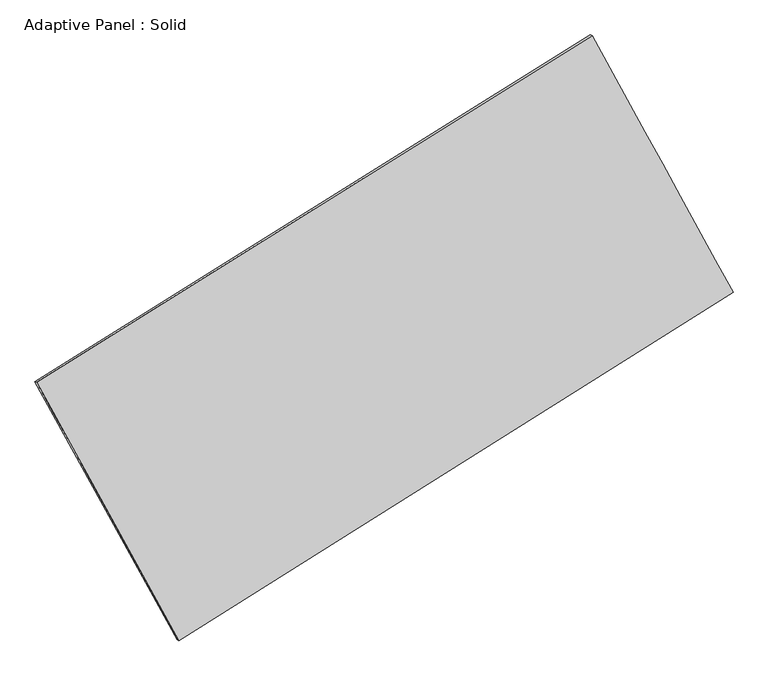
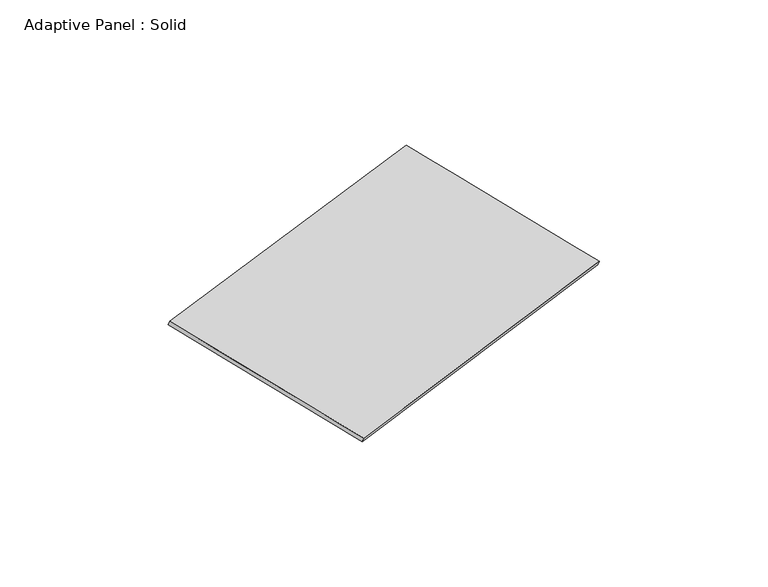
"""IFC4 building model written with IfcOpenShell, lengths in millimetres: plate geometry, Adaptive Panel : Solid."""

from ifc_helpers import new_model, si_unit, frame, origin, place, context, project, spatial, source, transform, mapped, element, save
from ifc_brep_helpers import plane_surface, spline_surface, advanced_brep


def adaptive_panel_solid_b3a6ef85(model_context):
    return source(origin(), model_context, "Body", "AdvancedBrep", [
        advanced_brep(
        [(1175.6076665, 2565.4860317, 666.5072521), (-3726.3420016, -494.039973, 1768.7056913), (-3711.6756457, -500.4200664, 1816.0785994), (1190.2740223, 2559.1059382, 713.8801601), (-2472.4521846, -2773.3510079, 1076.8884675), (-2457.7858288, -2779.7311014, 1124.2613755), (2419.8959416, 301.6563764, -26.9788908), (2434.5622974, 295.2762829, 20.3940172)],
        [
            (0, 1),
            (1, 2),
            (2, 3),
            (3, 0),
            (1, 4),
            (4, 5),
            (5, 2),
            (4, 6),
            (6, 7),
            (7, 5),
            (6, 0),
            (3, 7),
        ],
        [
            plane_surface(frame((-1275.3671675, 1035.7230294, 1217.6064717), z_axis=(-0.468864772704674, 0.8444771739650465, 0.2588901843805652), x_axis=(-0.8333004357171508, -0.5201000674028273, 0.18736676258392557))),
            plane_surface(frame((-3099.3970931, -1633.6954904, 1422.7970794), z_axis=(-0.835047397640908, -0.5167200108024713, 0.18893457632059177), x_axis=(0.46580798381795047, -0.8467420848117316, -0.2570034319228801))),
            plane_surface(frame((-26.2781215, -1235.8473158, 524.9547884), z_axis=(0.4712906240769445, -0.8429577730751378, -0.2594365827507148), x_axis=(0.8316128136919504, 0.5226969702489814, -0.18763796363181065))),
            plane_surface(frame((1797.751804, 1433.571204, 319.7641807), z_axis=(0.8349956879889642, 0.5168140488124606, -0.18890590247503725), x_axis=(-0.465204035778241, 0.8463815926417445, 0.2592747668649253))),
            spline_surface(1, 1, [[(-3711.6756457, -500.4200664, 1816.0785994), (1190.2740223, 2559.1059382, 713.8801601)], [(-2457.7858288, -2779.7311014, 1124.2613755), (2434.5622974, 295.2762829, 20.3940172)]], [2, 2], [2, 2], [0.0, 1.0], [0.0, 1.0]),
            spline_surface(1, 1, [[(2419.8959416, 301.6563764, -26.9788908), (1175.6076665, 2565.4860317, 666.5072521)], [(-2472.4521846, -2773.3510079, 1076.8884675), (-3726.3420016, -494.039973, 1768.7056913)]], [2, 2], [2, 2], [0.0, 1.0], [0.0, 1.0]),
        ],
        [
            (0, [[1, 2, 3, 4]]),
            (1, [[5, 6, 7, -2]]),
            (2, [[8, 9, 10, -6]]),
            (3, [[11, -4, 12, -9]]),
            (4, [[-3, -7, -10, -12]]),
            (5, [[-11, -8, -5, -1]]),
        ],
    ),
    ])


if __name__ == "__main__":
    model = new_model("IFC4")
    model_context = context("Model", 3, world=origin())
    ifc_project = project(units=[si_unit("LENGTHUNIT", "METRE", prefix="MILLI")], contexts=[model_context])
    site = spatial("IfcSite", under=ifc_project)
    building = spatial("IfcBuilding", under=site)
    placement = place(None, origin())
    adaptive_panel_solid_shape = adaptive_panel_solid_b3a6ef85(model_context)
    element("IfcPlate", 1, ObjectType="Adaptive Panel : Solid", at=placement, inside=building, context=model_context, shape_type="MappedRepresentation", body=[
        mapped(adaptive_panel_solid_shape, transform((0.0, 0.0, 0.0), x_axis=(1.0, 0.0, 0.0), y_axis=(0.0, 1.0, 0.0), z_axis=(0.0, 0.0, 1.0))),
    ])
    save(model, "model.ifc")
